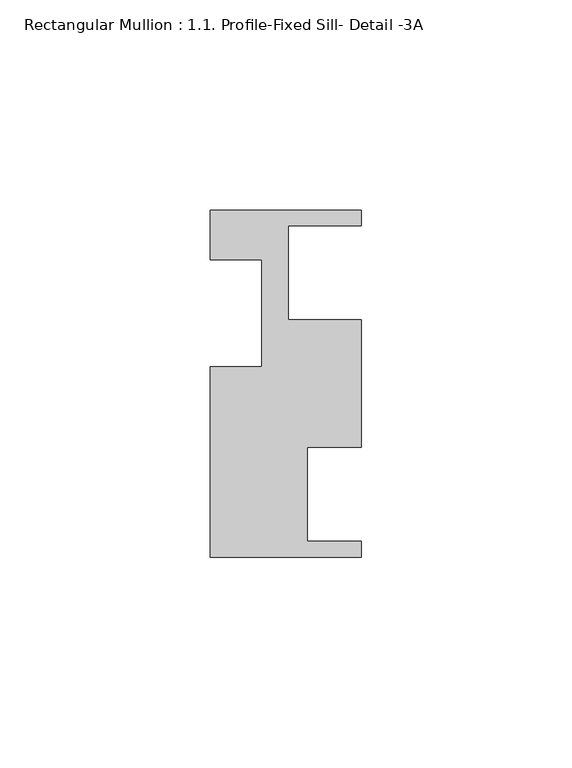
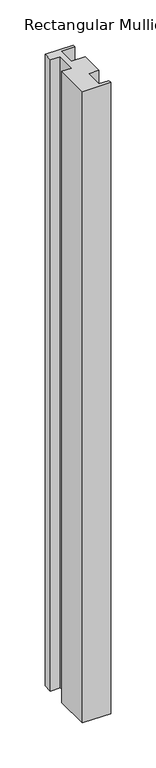
"""IFC4 building model written with IfcOpenShell, lengths in millimetres: member geometry, Rectangular Mullion : 1.1. Profile-Fixed Sill- Detail -3A."""

from ifc_helpers import new_model, si_unit, frame, origin, place, context, project, spatial, polyline, outline, extrude, source, transform, mapped, element, save


def rectangular_mullion_1_1_profile_fixed_sill_detail_3a_9367ee00(model_context):
    return source(origin(), model_context, "Body", "SweptSolid", [
        extrude(outline(polyline([(0.0, 41.5927258), (0.0, 37.8589258), (-17.4244, 37.8589258), (-17.4244, 15.4815258), (-1.04e-05, 15.4815258), (-1.04e-05, -14.8460742), (-12.9286, -14.8460742), (-12.9286, -37.2234742), (0.0, -37.2234742), (0.0, -40.9572742), (-35.9918, -40.9572742), (-35.9918, 4.3563258), (-23.7744, 4.3563258), (-23.7744, 29.7563258), (-35.9918, 29.7563258), (-35.9918, 41.5927258), (0.0, 41.5927258)])), frame((0.0, 0.0, -853.4908), z_axis=(0.0, 0.0, 1.0), x_axis=(1.0, 0.0, 0.0)), (0.0, 0.0, 1.0), 853.4908),
    ])


if __name__ == "__main__":
    model = new_model("IFC4")
    model_context = context("Model", 3, world=origin())
    ifc_project = project(units=[si_unit("LENGTHUNIT", "METRE", prefix="MILLI")], contexts=[model_context])
    site = spatial("IfcSite", under=ifc_project)
    building = spatial("IfcBuilding", under=site)
    placement = place(None, origin())
    rectangular_mullion_1_1_profile_fixed_sill_detail_3a_shape = rectangular_mullion_1_1_profile_fixed_sill_detail_3a_9367ee00(model_context)
    element("IfcMember", 1, ObjectType="Rectangular Mullion : 1.1. Profile-Fixed Sill- Detail -3A", at=placement, inside=building, context=model_context, shape_type="MappedRepresentation", body=[
        mapped(rectangular_mullion_1_1_profile_fixed_sill_detail_3a_shape, transform((0.0, 0.0, 0.0), x_axis=(1.0, 0.0, 0.0), y_axis=(0.0, 1.0, 0.0), z_axis=(0.0, 0.0, 1.0))),
    ])
    save(model, "model.ifc")
